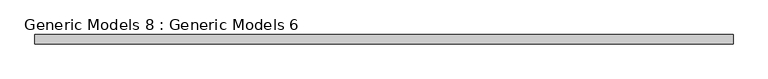
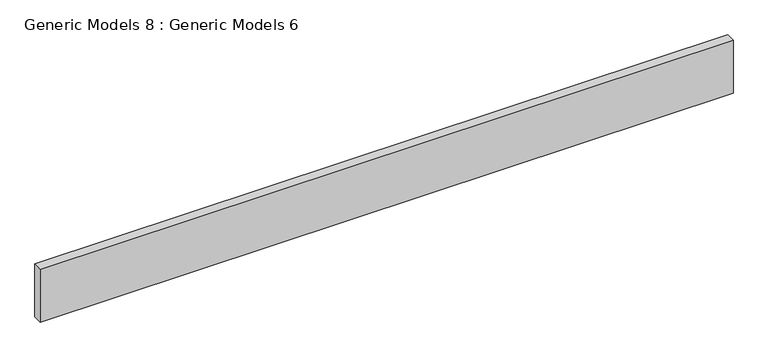
"""IFC4 building model written with IfcOpenShell, lengths in millimetres: proxy geometry, Generic Models 8 : Generic Models 6."""

from ifc_helpers import new_model, si_unit, frame, origin, place, context, project, spatial, polyline, outline, extrude, source, transform, mapped, element, save


def generic_models_8_generic_models_6_7e89cf16(model_context):
    return source(origin(), model_context, "Body", "SweptSolid", [
        extrude(outline(polyline([(-5175.820603, -38752.5327609), (-5175.820603, -38727.1327609), (-3286.2856586, -38727.1327609), (-3286.2856586, -38752.5327609), (-5175.820603, -38752.5327609)])), frame((0.0, 0.0, 31648.4), z_axis=(0.0, 0.0, 1.0), x_axis=(1.0, 0.0, 0.0)), (0.0, 0.0, 1.0), 152.4),
    ])


if __name__ == "__main__":
    model = new_model("IFC4")
    model_context = context("Model", 3, world=origin())
    ifc_project = project(units=[si_unit("LENGTHUNIT", "METRE", prefix="MILLI")], contexts=[model_context])
    site = spatial("IfcSite", under=ifc_project)
    building = spatial("IfcBuilding", under=site)
    placement = place(None, origin())
    generic_models_8_generic_models_6_shape = generic_models_8_generic_models_6_7e89cf16(model_context)
    element("IfcBuildingElementProxy", 1, Name="Generic Models 8 : Generic Models 6", ObjectType="Generic Models 8 : Generic Models 6", at=placement, inside=building, context=model_context, shape_type="MappedRepresentation", body=[
        mapped(generic_models_8_generic_models_6_shape, transform((0.0, 0.0, 0.0), x_axis=(1.0, 0.0, 0.0), y_axis=(0.0, 1.0, 0.0), z_axis=(0.0, 0.0, 1.0))),
    ])
    save(model, "model.ifc")
